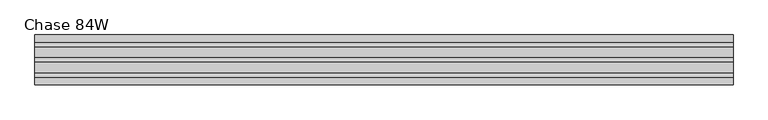
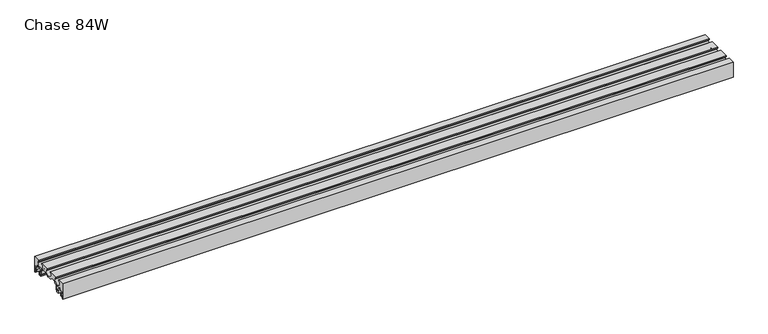
"""IFC4 building model written with IfcOpenShell, lengths in millimetres: furniture geometry, Chase 84W."""

from ifc_helpers import new_model, si_unit, point, frame, frame_2d, origin, place, context, project, spatial, polyline, circle_curve, trimmed, segment, composite_curve, outline, extrude, source, transform, mapped, element, save


def chase_84w_837b76c2(model_context):
    return source(origin(), model_context, "Body", "SweptSolid", [
        extrude(outline(composite_curve([segment(polyline([(76.2, 625.0939671), (73.1519984, 625.0939671), (73.1519984, 636.0114693), (69.7230016, 636.0114693), (69.7230016, 629.7431746), (66.675, 629.7431746), (66.675, 639.0639719), (73.1519984, 639.0639719), (73.1519984, 646.9289715), (67.1194996, 646.9289715), (62.8014992, 651.5100145), (62.8014992, 654.2731932)]), True, "CONTINUOUS"), segment(trimmed(circle_curve(frame_2d((61.2689815, 654.2731932)), 1.5325176), [point((62.8014992, 654.2731932))], [point((60.443958, 655.5646832))], True, "CARTESIAN"), True, "CONTINUOUS"), segment(trimmed(circle_curve(frame_2d((45.7854705, 678.5110487)), 27.2287889), [point((60.443958, 655.5646832))], [point((47.15276, 651.3166106))], False, "CARTESIAN"), True, "CONTINUOUS"), segment(trimmed(circle_curve(frame_2d((47.2687964, 649.0087274)), 2.3107984), [point((47.15276, 651.3166106))], [point((44.957998, 649.0087274))], True, "CARTESIAN"), True, "CONTINUOUS"), segment(polyline([(44.957998, 649.0087274), (44.957998, 639.0639719), (51.4350009, 639.0639719), (51.4350009, 629.5389719), (43.5365777, 629.5389719), (43.5365777, 632.586969), (48.3869993, 632.586969), (48.3869993, 636.0159748), (41.9100009, 636.0159748), (41.9100009, 649.5453748)]), True, "CONTINUOUS"), segment(trimmed(circle_curve(frame_2d((39.0714407, 649.5453748)), 2.8385603), [point((41.9100009, 649.5453748))], [point((39.705064, 652.3123128))], True, "CARTESIAN"), True, "CONTINUOUS"), segment(trimmed(circle_curve(frame_2d((43.855594, 670.4370539)), 18.5939007), [point((39.705064, 652.3123128))], [point((29.8324836, 658.2269959))], False, "CARTESIAN"), True, "CONTINUOUS"), segment(trimmed(circle_curve(frame_2d((26.7329772, 655.5282257)), 4.1097811), [point((29.8324836, 658.2269959))], [point((26.7329772, 659.6380068))], True, "CARTESIAN"), True, "CONTINUOUS"), segment(polyline([(26.7329772, 659.6380068), (20.668497, 659.6380068)]), True, "CONTINUOUS"), segment(trimmed(circle_curve(frame_2d((20.668497, 653.2880068)), 6.35), [point((20.668497, 659.6380068))], [point((16.3430808, 657.9370147))], True, "CARTESIAN"), True, "CONTINUOUS"), segment(trimmed(circle_curve(frame_2d((0.0, 675.5027493)), 23.9927348), [point((16.3430808, 657.9370147))], [point((-16.3430808, 657.9370147))], False, "CARTESIAN"), True, "CONTINUOUS"), segment(trimmed(circle_curve(frame_2d((-20.668497, 653.2880068)), 6.35), [point((-16.3430808, 657.9370147))], [point((-20.668497, 659.6380068))], True, "CARTESIAN"), True, "CONTINUOUS"), segment(polyline([(-20.668497, 659.6380068), (-26.7329772, 659.6380068)]), True, "CONTINUOUS"), segment(trimmed(circle_curve(frame_2d((-26.7329772, 655.5282257)), 4.1097811), [point((-26.7329772, 659.6380068))], [point((-29.8324836, 658.2269959))], True, "CARTESIAN"), True, "CONTINUOUS"), segment(trimmed(circle_curve(frame_2d((-43.855594, 670.4370539)), 18.5939007), [point((-29.8324836, 658.2269959))], [point((-39.705064, 652.3123128))], False, "CARTESIAN"), True, "CONTINUOUS"), segment(trimmed(circle_curve(frame_2d((-39.0714407, 649.5453748)), 2.8385603), [point((-39.705064, 652.3123128))], [point((-41.9100009, 649.5453748))], True, "CARTESIAN"), True, "CONTINUOUS"), segment(polyline([(-41.9100009, 649.5453748), (-41.9100009, 636.0159748), (-48.3869993, 636.0159748), (-48.3869993, 632.586969), (-43.5365777, 632.586969), (-43.5365777, 629.5389719), (-51.4350009, 629.5389719), (-51.4350009, 639.0639719), (-44.957998, 639.0639719), (-44.957998, 649.0087274)]), True, "CONTINUOUS"), segment(trimmed(circle_curve(frame_2d((-47.2687964, 649.0087274)), 2.3107984), [point((-44.957998, 649.0087274))], [point((-47.15276, 651.3166106))], True, "CARTESIAN"), True, "CONTINUOUS"), segment(trimmed(circle_curve(frame_2d((-45.7854705, 678.5110487)), 27.2287889), [point((-47.15276, 651.3166106))], [point((-60.443958, 655.5646832))], False, "CARTESIAN"), True, "CONTINUOUS"), segment(trimmed(circle_curve(frame_2d((-61.2689815, 654.2731932)), 1.5325176), [point((-60.443958, 655.5646832))], [point((-62.8014992, 654.2731932))], True, "CARTESIAN"), True, "CONTINUOUS"), segment(polyline([(-62.8014992, 654.2731932), (-62.8014992, 651.5100145), (-67.1194996, 646.9289715), (-73.1519984, 646.9289715), (-73.1519984, 639.0639719), (-66.675, 639.0639719), (-66.675, 629.7431746), (-69.7230016, 629.7431746), (-69.7230016, 636.0114693), (-73.1519984, 636.0114693), (-73.1519984, 625.0939671), (-76.2, 625.0939671), (-76.2, 675.8939913), (-54.1019984, 675.8939913), (-54.1019984, 672.8459942), (-60.5790013, 672.8459942), (-60.5790013, 664.9719835)]), True, "CONTINUOUS"), segment(trimmed(circle_curve(frame_2d((-46.4820011, 671.6224146)), 15.5869704), [point((-60.5790013, 664.9719835))], [point((-32.3850009, 664.9719835))], True, "CARTESIAN"), True, "CONTINUOUS"), segment(polyline([(-32.3850009, 664.9719835), (-32.3850009, 672.8459942), (-38.8619993, 672.8459942), (-38.8619993, 675.8939913), (-7.6200001, 675.8939913), (-7.6200001, 672.8459942), (-14.0970002, 672.8459942), (-14.0970002, 664.9719835)]), True, "CONTINUOUS"), segment(trimmed(circle_curve(frame_2d((0.0, 671.6224146)), 15.5869704), [point((-14.0970002, 664.9719835))], [point((14.0970002, 664.9719835))], True, "CARTESIAN"), True, "CONTINUOUS"), segment(polyline([(14.0970002, 664.9719835), (14.0970002, 672.8459942), (7.6200001, 672.8459942), (7.6200001, 675.8939913), (38.8619993, 675.8939913), (38.8619993, 672.8459942), (32.3850009, 672.8459942), (32.3850009, 664.9719835)]), True, "CONTINUOUS"), segment(trimmed(circle_curve(frame_2d((46.4820011, 671.6224146)), 15.5869704), [point((32.3850009, 664.9719835))], [point((60.5790013, 664.9719835))], True, "CARTESIAN"), True, "CONTINUOUS"), segment(polyline([(60.5790013, 664.9719835), (60.5790013, 672.8459942), (54.1019984, 672.8459942), (54.1019984, 675.8939913), (76.2, 675.8939913), (76.2, 625.0939671)]), True, "CONTINUOUS")], self_intersect=False)), frame((0.0, 0.0, 0.0), z_axis=(1.0, 0.0, 0.0), x_axis=(0.0, 1.0, 0.0)), (0.0, 0.0, 1.0), 2133.6),
    ])


if __name__ == "__main__":
    model = new_model("IFC4")
    model_context = context("Model", 3, world=origin())
    ifc_project = project(units=[si_unit("LENGTHUNIT", "METRE", prefix="MILLI")], contexts=[model_context])
    site = spatial("IfcSite", under=ifc_project)
    building = spatial("IfcBuilding", under=site)
    placement = place(None, origin())
    chase_84w_shape = chase_84w_837b76c2(model_context)
    element("IfcFurniture", 1, ObjectType="Chase 84W", at=placement, inside=building, context=model_context, shape_type="MappedRepresentation", body=[
        mapped(chase_84w_shape, transform((0.0, 0.0, 0.0), x_axis=(1.0, 0.0, 0.0), y_axis=(0.0, 1.0, 0.0), z_axis=(0.0, 0.0, 1.0))),
    ])
    save(model, "model.ifc")
